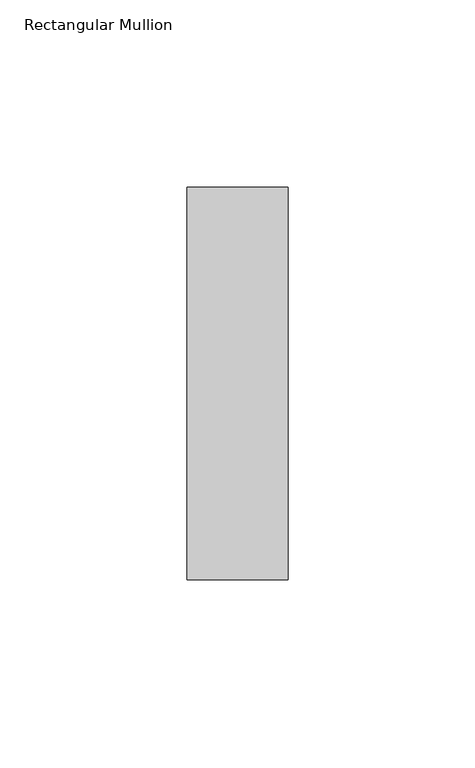
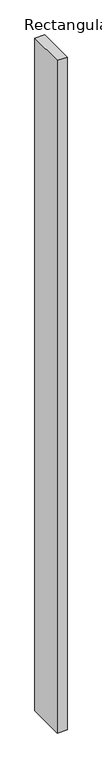
"""IFC4 building model written with IfcOpenShell, lengths in millimetres: member geometry, Rectangular Mullion."""

from ifc_helpers import new_model, si_unit, frame, origin, place, context, project, spatial, polyline, outline, extrude, source, transform, mapped, element, save


def rectangular_mullion_24787c19(model_context):
    return source(origin(), model_context, "Body", "SweptSolid", [
        extrude(outline(polyline([(0.0, 52.3975), (0.0, -52.3975), (-27.0, -52.3975), (-27.0, 52.3975), (0.0, 52.3975)])), frame((0.0, 0.0, -1934.098228), z_axis=(0.0, 0.0, 1.0), x_axis=(1.0, 0.0, 0.0)), (0.0, 0.0, 1.0), 1934.098228),
    ])


if __name__ == "__main__":
    model = new_model("IFC4")
    model_context = context("Model", 3, world=origin())
    ifc_project = project(units=[si_unit("LENGTHUNIT", "METRE", prefix="MILLI")], contexts=[model_context])
    site = spatial("IfcSite", under=ifc_project)
    building = spatial("IfcBuilding", under=site)
    placement = place(None, origin())
    rectangular_mullion_shape = rectangular_mullion_24787c19(model_context)
    element("IfcMember", 1, ObjectType="Rectangular Mullion", at=placement, inside=building, context=model_context, shape_type="MappedRepresentation", body=[
        mapped(rectangular_mullion_shape, transform((0.0, 0.0, 0.0), x_axis=(1.0, 0.0, 0.0), y_axis=(0.0, 1.0, 0.0), z_axis=(0.0, 0.0, 1.0))),
    ])
    save(model, "model.ifc")
